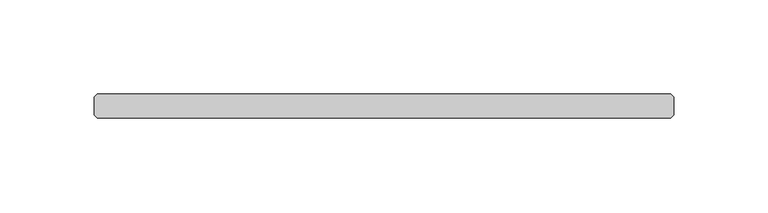
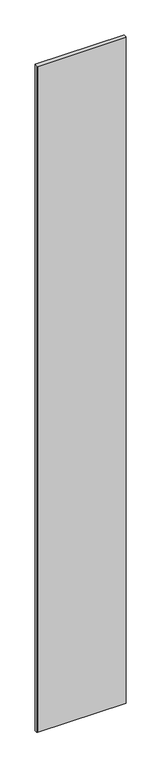
"""IFC4 building model written with IfcOpenShell, lengths in millimetres: plate geometry."""

from ifc_helpers import new_model, si_unit, origin, origin_with_axes, place, context, project, spatial, polyline, outline, extrude, source, transform, mapped, element, save


def plate_b76d802b(model_context):
    return source(origin(), model_context, "Body", "SweptSolid", [
        extrude(outline(polyline([(152.003125, -36.5125), (-152.003125, -36.5125), (-153.590625, -34.925), (-153.590625, -25.4), (-152.003125, -23.8125), (152.003125, -23.8125), (153.590625, -25.4), (153.590625, -34.925), (152.003125, -36.5125)])), origin_with_axes(), (0.0, 0.0, 1.0), 2417.075),
    ])


if __name__ == "__main__":
    model = new_model("IFC4")
    model_context = context("Model", 3, world=origin())
    ifc_project = project(units=[si_unit("LENGTHUNIT", "METRE", prefix="MILLI")], contexts=[model_context])
    site = spatial("IfcSite", under=ifc_project)
    building = spatial("IfcBuilding", under=site)
    placement = place(None, origin())
    plate_shape = plate_b76d802b(model_context)
    element("IfcPlate", 1, at=placement, inside=building, context=model_context, shape_type="MappedRepresentation", body=[
        mapped(plate_shape, transform((0.0, 0.0, 0.0), x_axis=(1.0, 0.0, 0.0), y_axis=(0.0, 1.0, 0.0), z_axis=(0.0, 0.0, 1.0))),
    ])
    save(model, "model.ifc")
